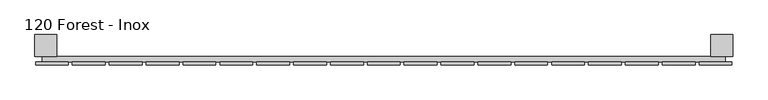
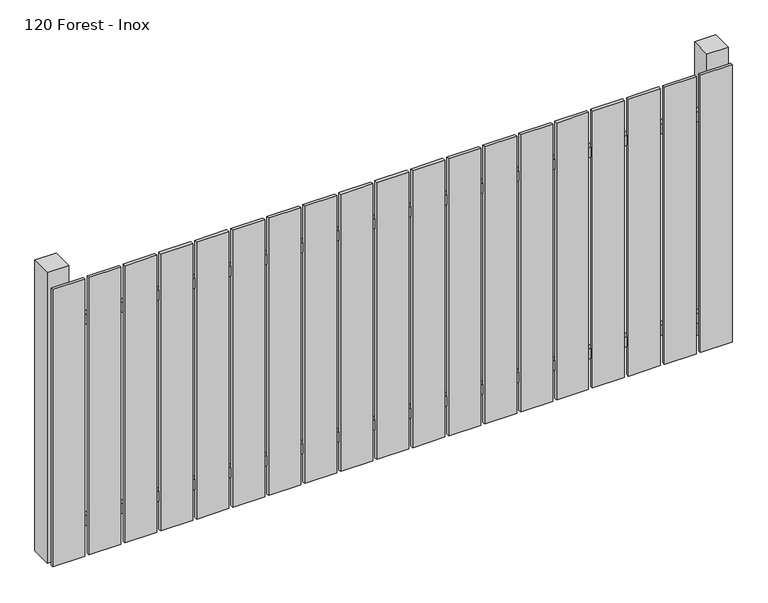
"""IFC4 building model written with IfcOpenShell, lengths in millimetres: railing geometry, 120 Forest - Inox."""

from ifc_helpers import new_model, si_unit, frame, origin, origin_with_axes, place, context, project, spatial, polyline, outline, extrude, source, transform, mapped, element, save


def railing_120_forest_inox_2c21c1fe(model_context):
    return source(origin(), model_context, "Body", "SweptSolid", [
        extrude(outline(polyline([(6087.4299228, -109939.0267127), (6087.4299228, -109919.0267127), (8587.4299228, -109919.0267127), (8587.4299228, -109939.0267127), (6087.4299228, -109939.0267127)])), frame((0.0, 0.0, 110.0), z_axis=(0.0, 0.0, 1.0), x_axis=(1.0, 0.0, 0.0)), (0.0, 0.0, 1.0), 40.0),
        extrude(outline(polyline([(6087.4299228, -109939.0267127), (6087.4299228, -109919.0267127), (8587.4299228, -109919.0267127), (8587.4299228, -109939.0267127), (6087.4299228, -109939.0267127)])), frame((0.0, 0.0, 910.0), z_axis=(0.0, 0.0, 1.0), x_axis=(1.0, 0.0, 0.0)), (0.0, 0.0, 1.0), 40.0),
        extrude(outline(polyline([(8492.4299228, -109950.5267127), (8492.4299228, -109939.5267127), (8612.4299228, -109939.5267127), (8612.4299228, -109950.5267127), (8492.4299228, -109950.5267127)])), origin_with_axes(), (0.0, 0.0, 1.0), 1100.0),
        extrude(outline(polyline([(8357.4299228, -109950.5267127), (8357.4299228, -109939.5267127), (8477.4299228, -109939.5267127), (8477.4299228, -109950.5267127), (8357.4299228, -109950.5267127)])), origin_with_axes(), (0.0, 0.0, 1.0), 1100.0),
        extrude(outline(polyline([(8222.4299228, -109950.5267127), (8222.4299228, -109939.5267127), (8342.4299228, -109939.5267127), (8342.4299228, -109950.5267127), (8222.4299228, -109950.5267127)])), origin_with_axes(), (0.0, 0.0, 1.0), 1100.0),
        extrude(outline(polyline([(8087.4299228, -109950.5267127), (8087.4299228, -109939.5267127), (8207.4299228, -109939.5267127), (8207.4299228, -109950.5267127), (8087.4299228, -109950.5267127)])), origin_with_axes(), (0.0, 0.0, 1.0), 1100.0),
        extrude(outline(polyline([(7952.4299228, -109950.5267127), (7952.4299228, -109939.5267127), (8072.4299228, -109939.5267127), (8072.4299228, -109950.5267127), (7952.4299228, -109950.5267127)])), origin_with_axes(), (0.0, 0.0, 1.0), 1100.0),
        extrude(outline(polyline([(7817.4299228, -109950.5267127), (7817.4299228, -109939.5267127), (7937.4299228, -109939.5267127), (7937.4299228, -109950.5267127), (7817.4299228, -109950.5267127)])), origin_with_axes(), (0.0, 0.0, 1.0), 1100.0),
        extrude(outline(polyline([(7682.4299228, -109950.5267127), (7682.4299228, -109939.5267127), (7802.4299228, -109939.5267127), (7802.4299228, -109950.5267127), (7682.4299228, -109950.5267127)])), origin_with_axes(), (0.0, 0.0, 1.0), 1100.0),
        extrude(outline(polyline([(7547.4299228, -109950.5267127), (7547.4299228, -109939.5267127), (7667.4299228, -109939.5267127), (7667.4299228, -109950.5267127), (7547.4299228, -109950.5267127)])), origin_with_axes(), (0.0, 0.0, 1.0), 1100.0),
        extrude(outline(polyline([(7412.4299228, -109950.5267127), (7412.4299228, -109939.5267127), (7532.4299228, -109939.5267127), (7532.4299228, -109950.5267127), (7412.4299228, -109950.5267127)])), origin_with_axes(), (0.0, 0.0, 1.0), 1100.0),
        extrude(outline(polyline([(7277.4299228, -109950.5267127), (7277.4299228, -109939.5267127), (7397.4299228, -109939.5267127), (7397.4299228, -109950.5267127), (7277.4299228, -109950.5267127)])), origin_with_axes(), (0.0, 0.0, 1.0), 1100.0),
        extrude(outline(polyline([(7142.4299228, -109950.5267127), (7142.4299228, -109939.5267127), (7262.4299228, -109939.5267127), (7262.4299228, -109950.5267127), (7142.4299228, -109950.5267127)])), origin_with_axes(), (0.0, 0.0, 1.0), 1100.0),
        extrude(outline(polyline([(7007.4299228, -109950.5267127), (7007.4299228, -109939.5267127), (7127.4299228, -109939.5267127), (7127.4299228, -109950.5267127), (7007.4299228, -109950.5267127)])), origin_with_axes(), (0.0, 0.0, 1.0), 1100.0),
        extrude(outline(polyline([(6872.4299228, -109950.5267127), (6872.4299228, -109939.5267127), (6992.4299228, -109939.5267127), (6992.4299228, -109950.5267127), (6872.4299228, -109950.5267127)])), origin_with_axes(), (0.0, 0.0, 1.0), 1100.0),
        extrude(outline(polyline([(6737.4299228, -109950.5267127), (6737.4299228, -109939.5267127), (6857.4299228, -109939.5267127), (6857.4299228, -109950.5267127), (6737.4299228, -109950.5267127)])), origin_with_axes(), (0.0, 0.0, 1.0), 1100.0),
        extrude(outline(polyline([(6602.4299228, -109950.5267127), (6602.4299228, -109939.5267127), (6722.4299228, -109939.5267127), (6722.4299228, -109950.5267127), (6602.4299228, -109950.5267127)])), origin_with_axes(), (0.0, 0.0, 1.0), 1100.0),
        extrude(outline(polyline([(6467.4299228, -109950.5267127), (6467.4299228, -109939.5267127), (6587.4299228, -109939.5267127), (6587.4299228, -109950.5267127), (6467.4299228, -109950.5267127)])), origin_with_axes(), (0.0, 0.0, 1.0), 1100.0),
        extrude(outline(polyline([(6332.4299228, -109950.5267127), (6332.4299228, -109939.5267127), (6452.4299228, -109939.5267127), (6452.4299228, -109950.5267127), (6332.4299228, -109950.5267127)])), origin_with_axes(), (0.0, 0.0, 1.0), 1100.0),
        extrude(outline(polyline([(6197.4299228, -109950.5267127), (6197.4299228, -109939.5267127), (6317.4299228, -109939.5267127), (6317.4299228, -109950.5267127), (6197.4299228, -109950.5267127)])), origin_with_axes(), (0.0, 0.0, 1.0), 1100.0),
        extrude(outline(polyline([(6062.4299228, -109950.5267127), (6062.4299228, -109939.5267127), (6182.4299228, -109939.5267127), (6182.4299228, -109950.5267127), (6062.4299228, -109950.5267127)])), origin_with_axes(), (0.0, 0.0, 1.0), 1100.0),
        extrude(outline(polyline([(8534.9299228, -109839.0267127), (8614.9299228, -109839.0267127), (8614.9299228, -109919.0267127), (8534.9299228, -109919.0267127), (8534.9299228, -109839.0267127)])), frame((0.0, 0.0, -4.0), z_axis=(0.0, 0.0, 1.0), x_axis=(1.0, 0.0, 0.0)), (0.0, 0.0, 1.0), 1154.0),
        extrude(outline(polyline([(6059.9299228, -109839.0267127), (6139.9299228, -109839.0267127), (6139.9299228, -109919.0267127), (6059.9299228, -109919.0267127), (6059.9299228, -109839.0267127)])), frame((0.0, 0.0, -4.0), z_axis=(0.0, 0.0, 1.0), x_axis=(1.0, 0.0, 0.0)), (0.0, 0.0, 1.0), 1154.0),
    ])


if __name__ == "__main__":
    model = new_model("IFC4")
    model_context = context("Model", 3, world=origin())
    ifc_project = project(units=[si_unit("LENGTHUNIT", "METRE", prefix="MILLI")], contexts=[model_context])
    site = spatial("IfcSite", under=ifc_project)
    building = spatial("IfcBuilding", under=site)
    placement = place(None, origin())
    railing_120_forest_inox_shape = railing_120_forest_inox_2c21c1fe(model_context)
    element("IfcRailing", 1, ObjectType="120 Forest - Inox", at=placement, inside=building, context=model_context, shape_type="MappedRepresentation", body=[
        mapped(railing_120_forest_inox_shape, transform((0.0, 0.0, 0.0), x_axis=(1.0, 0.0, 0.0), y_axis=(0.0, 1.0, 0.0), z_axis=(0.0, 0.0, 1.0))),
    ])
    save(model, "model.ifc")
